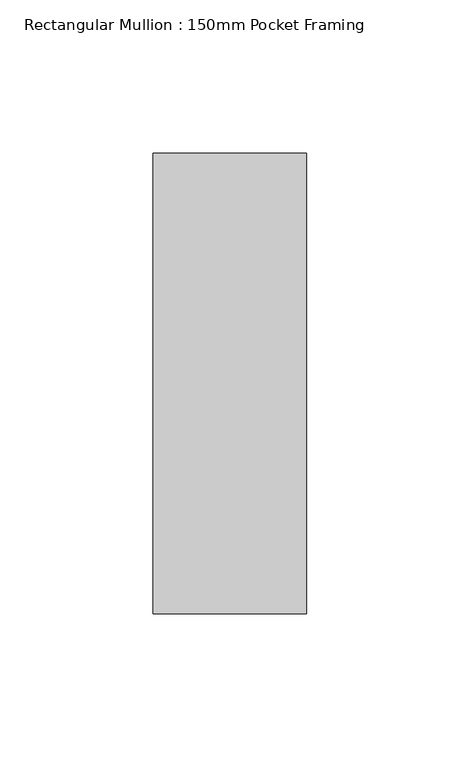
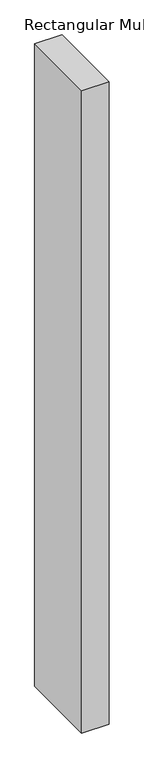
"""IFC4 building model written with IfcOpenShell, lengths in millimetres: member geometry, Rectangular Mullion : 150mm Pocket Framing."""

import ifcopenshell
import ifcopenshell.guid

model = None  # the IFC model being written
_history = None  # IfcOwnerHistory: only IFC2X3 demands one
_inside = {}  # id of a spatial element -> (the spatial element, [elements in it])
_under = {}  # id of a project, library or spatial element -> (it, [spatial elements below it])
_declared = {}  # id of a project -> (the project, [libraries it declares])
_typed = {}  # id of a type object -> (the type object, [elements of that type])
_made_of = {}  # id of a material, layer set ... -> (it, [elements and type objects made of it])


def new_model(schema):
    """Start an empty IFC model of exactly this schema.

    Asked for "IFC4X3", IfcOpenShell would pick the latest addendum, in which some entities
    have other attributes; the version numbers below select the first issue.
    IFC2X3 requires an IfcOwnerHistory on every rooted entity: one is made here for all.
    """
    global model, _history
    if schema == "IFC4X3":
        model = ifcopenshell.file(schema_version=(4, 3, 0, 0))
    else:
        model = ifcopenshell.file(schema=schema)
    _inside.clear()
    _under.clear()
    _declared.clear()
    _typed.clear()
    _made_of.clear()
    _history = None
    if model.schema == "IFC2X3":
        org = make("IfcOrganization", Name="unknown")
        user = make(
            "IfcPersonAndOrganization",
            ThePerson=make("IfcPerson", FamilyName="unknown"),
            TheOrganization=org,
        )
        app = make(
            "IfcApplication",
            ApplicationDeveloper=org,
            Version="unknown",
            ApplicationFullName="unknown",
            ApplicationIdentifier="unknown",
        )
        _history = make(
            "IfcOwnerHistory",
            OwningUser=user,
            OwningApplication=app,
            ChangeAction="ADDED",
            CreationDate=0,
        )
    return model


def make(cls, **values):
    """One entity of the class cls with the attributes given. An attribute that is None is left unset."""
    return model.create_entity(
        cls, **{name: value for name, value in values.items() if value is not None}
    )


def rooted(cls, **values):
    """An entity with a GlobalId (a new one), such as an element, a storey or a relation."""
    return make(cls, GlobalId=ifcopenshell.guid.new(), OwnerHistory=_history, **values)


def si_unit(unit_type, name, prefix=None):
    """IfcSIUnit, for example si_unit("LENGTHUNIT", "METRE", prefix="MILLI")."""
    return make("IfcSIUnit", UnitType=unit_type, Prefix=prefix, Name=name)


def assignment(units):
    """IfcUnitAssignment: the units of a project."""
    return None if units is None else make("IfcUnitAssignment", Units=units)


def point(xyz):
    """IfcCartesianPoint."""
    return None if xyz is None else make("IfcCartesianPoint", Coordinates=xyz)


def direction(xyz):
    """IfcDirection."""
    return None if xyz is None else make("IfcDirection", DirectionRatios=xyz)


def frame(location, z_axis=None, x_axis=None):
    """IfcAxis2Placement3D, a coordinate frame: its origin and axes. An axis left out is left unset."""
    return make(
        "IfcAxis2Placement3D",
        Location=point(location),
        Axis=direction(z_axis),
        RefDirection=direction(x_axis),
    )


def origin():
    """The frame at (0, 0, 0) with its axes left unset."""
    return frame((0.0, 0.0, 0.0))


def place(relative_to, where):
    """IfcLocalPlacement: puts the frame where relative to a parent placement (None: the world)."""
    return make(
        "IfcLocalPlacement", PlacementRelTo=relative_to, RelativePlacement=where
    )


def context(
    kind, dimensions, precision=None, world=None, true_north=None, identifier=None
):
    """IfcGeometricRepresentationContext, for example the 3D "Model" context."""
    return make(
        "IfcGeometricRepresentationContext",
        ContextIdentifier=identifier,
        ContextType=kind,
        CoordinateSpaceDimension=dimensions,
        Precision=precision,
        WorldCoordinateSystem=world,
        TrueNorth=true_north,
    )


def project(units=None, contexts=None):
    """IfcProject with its units and contexts."""
    return rooted(
        "IfcProject",
        Name="project",
        RepresentationContexts=contexts,
        UnitsInContext=assignment(units),
    )


def spatial(cls, under=None, at=None, **own):
    """A site, building, storey or space (cls), placed at a placement, below another one or the project."""
    s = rooted(cls, ObjectPlacement=at, **own)
    if under is not None:
        _under.setdefault(under.id(), (under, []))[1].append(s)
    return s


def polyline(points):
    """IfcPolyline through the points."""
    return make("IfcPolyline", Points=[point(p) for p in points])


def outline(outer, holes=None, kind="AREA"):
    """IfcArbitraryClosedProfileDef: a profile drawn as a closed curve; with holes, ...WithVoids."""
    if holes is None:
        return make("IfcArbitraryClosedProfileDef", ProfileType=kind, OuterCurve=outer)
    return make(
        "IfcArbitraryProfileDefWithVoids",
        ProfileType=kind,
        OuterCurve=outer,
        InnerCurves=holes,
    )


def extrude(swept, where, along, depth):
    """IfcExtrudedAreaSolid: the profile swept, set in the frame where, extruded along a direction by depth."""
    return make(
        "IfcExtrudedAreaSolid",
        SweptArea=swept,
        Position=where,
        ExtrudedDirection=direction(along),
        Depth=depth,
    )


def shape(context_of_items, identifier, shape_type, items):
    """IfcShapeRepresentation: the items that make up one representation, for example the "Body"."""
    return make(
        "IfcShapeRepresentation",
        ContextOfItems=context_of_items,
        RepresentationIdentifier=identifier,
        RepresentationType=shape_type,
        Items=items,
    )


def source(mapping_origin, context_of_items, identifier, shape_type, items):
    """IfcRepresentationMap: a shape defined once, which mapped items show again and again."""
    return make(
        "IfcRepresentationMap",
        MappingOrigin=mapping_origin,
        MappedRepresentation=shape(context_of_items, identifier, shape_type, items),
    )


def transform(
    local_origin,
    x_axis=None,
    y_axis=None,
    z_axis=None,
    scale=None,
    scale2=None,
    scale3=None,
    uniform=True,
):
    """IfcCartesianTransformationOperator3D, or its non-uniform kind. x_axis, y_axis, z_axis: its Axis1, 2, 3."""
    if uniform:
        return make(
            "IfcCartesianTransformationOperator3D",
            Axis1=direction(x_axis),
            Axis2=direction(y_axis),
            LocalOrigin=point(local_origin),
            Scale=scale,
            Axis3=direction(z_axis),
        )
    return make(
        "IfcCartesianTransformationOperator3DnonUniform",
        Axis1=direction(x_axis),
        Axis2=direction(y_axis),
        LocalOrigin=point(local_origin),
        Scale=scale,
        Axis3=direction(z_axis),
        Scale2=scale2,
        Scale3=scale3,
    )


def mapped(mapping_source, mapping_target):
    """IfcMappedItem: shows the shape of a source again, moved by a transform."""
    return make(
        "IfcMappedItem", MappingSource=mapping_source, MappingTarget=mapping_target
    )


def made_of(thing, what):
    """Note that an element or type object is made of a material, layer set ...; save() writes the relation."""
    if what is not None:
        _made_of.setdefault(what.id(), (what, []))[1].append(thing)
    return thing


def element(
    cls,
    number,
    at=None,
    inside=None,
    cuts=None,
    type_object=None,
    material=None,
    context=None,
    identifier="Body",
    shape_type=None,
    held_by="IfcProductDefinitionShape",
    body=None,
    shapes=None,
    **own,
):
    """One element of the class cls, such as IfcWall. Its Tag is "e" and its number.

    at: its placement. inside: the storey or other place that contains it. cuts: it is an
    opening in that element (IfcRelVoidsElement). A single representation is given by context,
    identifier, shape_type and body (its items); several are given by shapes. held_by: the class
    of the entity that holds the representations. save() writes the other relations.
    """
    e = rooted(cls, Tag="e%d" % number, ObjectPlacement=at, **own)
    if body is not None:
        shapes = [shape(context, identifier, shape_type, body)]
    if shapes is not None:
        e.Representation = make(held_by, Representations=shapes)
    if inside is not None:
        _inside.setdefault(inside.id(), (inside, []))[1].append(e)
    if cuts is not None:
        rooted(
            "IfcRelVoidsElement", RelatingBuildingElement=cuts, RelatedOpeningElement=e
        )
    if type_object is not None:
        _typed.setdefault(type_object.id(), (type_object, []))[1].append(e)
    return made_of(e, material)


def aggregate(whole, parts):
    """IfcRelAggregates: a whole, such as a stair, and the parts it consists of."""
    return rooted("IfcRelAggregates", RelatingObject=whole, RelatedObjects=parts)


def save(model, path):
    """Write the relations noted so far, then the file.

    IfcRelAggregates (storeys below a building ...), IfcRelContainedInSpatialStructure (elements
    in a storey), IfcRelDefinesByType, IfcRelAssociatesMaterial and IfcRelDeclares: one each for
    every whole, place, type object, material and project.
    """
    for whole, parts in _under.values():
        aggregate(whole, parts)
    for where, things in _inside.values():
        rooted(
            "IfcRelContainedInSpatialStructure",
            RelatedElements=things,
            RelatingStructure=where,
        )
    for kind, things in _typed.values():
        rooted("IfcRelDefinesByType", RelatedObjects=things, RelatingType=kind)
    for what, things in _made_of.values():
        rooted("IfcRelAssociatesMaterial", RelatedObjects=things, RelatingMaterial=what)
    for by, libraries in _declared.values():
        rooted("IfcRelDeclares", RelatingContext=by, RelatedDefinitions=libraries)
    model.write(path)


def rectangular_mullion_150mm_pocket_framing_729c0cfc(model_context):
    return source(origin(), model_context, "Body", "SweptSolid", [
        extrude(outline(polyline([(0.0, 75.0), (0.0, -75.0), (-50.0, -75.0), (-50.0, 75.0), (0.0, 75.0)])), frame((0.0, 0.0, -1250.0), z_axis=(0.0, 0.0, 1.0), x_axis=(1.0, 0.0, 0.0)), (0.0, 0.0, 1.0), 1250.0),
    ])


if __name__ == "__main__":
    model = new_model("IFC4")
    model_context = context("Model", 3, world=origin())
    ifc_project = project(units=[si_unit("LENGTHUNIT", "METRE", prefix="MILLI")], contexts=[model_context])
    site = spatial("IfcSite", under=ifc_project)
    building = spatial("IfcBuilding", under=site)
    placement = place(None, origin())
    rectangular_mullion_150mm_pocket_framing_shape = rectangular_mullion_150mm_pocket_framing_729c0cfc(model_context)
    element("IfcMember", 1, ObjectType="Rectangular Mullion : 150mm Pocket Framing", at=placement, inside=building, context=model_context, shape_type="MappedRepresentation", body=[
        mapped(rectangular_mullion_150mm_pocket_framing_shape, transform((0.0, 0.0, 0.0), x_axis=(1.0, 0.0, 0.0), y_axis=(0.0, 1.0, 0.0), z_axis=(0.0, 0.0, 1.0))),
    ])
    save(model, "model.ifc")
